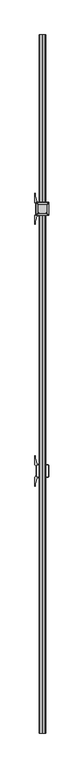
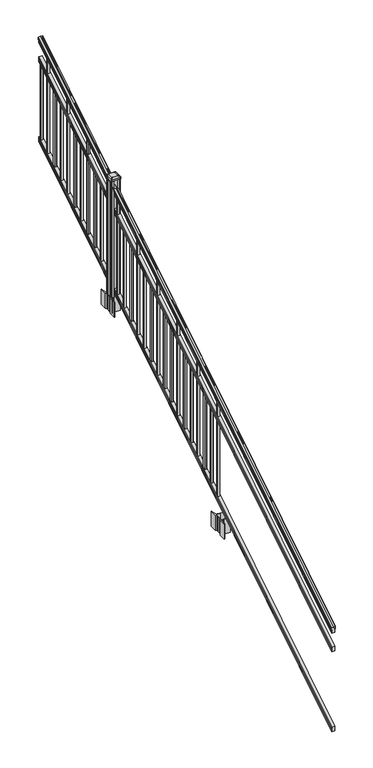
"""IFC4 building model written with IfcOpenShell, lengths in millimetres: railing geometry."""

from ifc_helpers import new_model, si_unit, point, frame, frame_2d, origin, place, context, project, spatial, polyline, circle_curve, ellipse_curve, trimmed, segment, composite_curve, outline, extrude, faceted_brep, source, transform, mapped, element, save
from ifc_brep_helpers import plane_surface, cylinder_surface, revolved_surface, extruded_surface, advanced_brep


def railing_5481a05c(model_context):
    return source(origin(), model_context, "Body", "SolidModel", [
        advanced_brep(
        [(9720.6704765, -129368.4628453, 1285.6070492), (9720.6704765, -129368.4628453, 1287.8335658), (9721.8006628, -129368.4628453, 1289.6758543), (9721.8006628, -129368.4628453, 1298.1876358), (9721.1514064, -129368.4628453, 1301.0572588), (9723.6514064, -129368.4628453, 1306.1635509), (9725.0607489, -129368.4628453, 1308.1442021), (9725.4626479, -129368.4628453, 1309.4469579), (9725.4626478, -129368.4628453, 1311.0274846), (9723.9092005, -129368.4628453, 1312.8593836), (9703.2376478, -129368.4628453, 1312.8593836), (9682.566095, -129368.4628453, 1312.8593836), (9681.0126478, -129368.4628453, 1311.0274846), (9681.0126478, -129368.4628453, 1309.4469579), (9681.4145467, -129368.4628453, 1308.1442021), (9682.8238891, -129368.4628453, 1306.1635509), (9685.3238891, -129368.4628453, 1301.0572588), (9684.6746327, -129368.4628453, 1298.1876358), (9684.6746327, -129368.4628453, 1289.6758543), (9685.804819, -129368.4628453, 1287.8335658), (9685.804819, -129368.4628453, 1285.6070492), (9688.3786478, -129368.4628453, 1285.6070492), (9688.3786478, -129368.4628453, 1273.225537), (9687.3626478, -129368.4628453, 1272.0274214), (9687.3626478, -129368.4628453, 1257.3), (9719.1126478, -129368.4628453, 1257.3), (9719.1126478, -129368.4628453, 1271.841318), (9718.0966478, -129368.4628453, 1273.0394336), (9718.0966478, -129368.4628453, 1285.6070492), (9720.6704765, -124491.6628453, 4333.6070492), (9718.0966478, -124491.6628453, 4333.6070492), (9718.0966478, -124491.6628453, 4321.0394336), (9719.1126478, -124491.6628453, 4319.841318), (9719.1126478, -124491.6628453, 4305.3), (9687.3626478, -124491.6628453, 4305.3), (9687.3626478, -124491.6628453, 4320.0274214), (9688.3786478, -124491.6628453, 4321.225537), (9688.3786478, -124491.6628453, 4333.6070492), (9685.804819, -124491.6628453, 4333.6070492), (9685.804819, -124491.6628453, 4335.8335658), (9684.6746327, -124491.6628453, 4337.6758543), (9684.6746327, -124491.6628453, 4346.1876358), (9685.3238891, -124491.6628453, 4349.0572588), (9682.8238891, -124491.6628453, 4354.1635509), (9681.4145467, -124491.6628453, 4356.1442021), (9681.0126477, -124491.6628453, 4357.4469579), (9681.0126478, -124491.6628453, 4359.0274846), (9682.566095, -124491.6628453, 4360.8593836), (9703.2376478, -124491.6628453, 4360.8593836), (9723.9092005, -124491.6628453, 4360.8593836), (9725.4626478, -124491.6628453, 4359.0274846), (9725.4626478, -124491.6628453, 4357.4469579), (9725.0607489, -124491.6628453, 4356.1442021), (9723.6514064, -124491.6628453, 4354.1635509), (9721.1514064, -124491.6628453, 4349.0572588), (9721.8006628, -124491.6628453, 4346.1876358), (9721.8006628, -124491.6628453, 4337.6758543), (9720.6704765, -124491.6628453, 4335.8335658)],
        [
            (0, 1),
            (1, 2, ellipse_curve(frame((9714.3557232, -129368.4628453, 1294.6239405), z_axis=(0.0, -1.0, 0.0), x_axis=(0.0, 0.0, -1.0)), 10.0777926, 8.545951)),
            (2, 3, ellipse_curve(frame((9714.7927862, -129368.4628453, 1293.9317451), z_axis=(0.0, -1.0, 0.0), x_axis=(0.0, 0.0, -1.0)), 9.2955186, 7.882584)),
            (3, 4, ellipse_curve(frame((9725.3061103, -129368.4628453, 1300.8275077), z_axis=(0.0, 1.0, 0.0), x_axis=(0.0, 0.0, 1.0)), 4.9048088, 4.1592695)),
            (4, 5, ellipse_curve(frame((9726.5934169, -129368.4628453, 1300.7563208), z_axis=(0.0, 1.0, 0.0), x_axis=(0.0, 0.0, 1.0)), 6.4245301, 5.4479907)),
            (5, 6, ellipse_curve(frame((9725.3602584, -129368.4628453, 1306.1602333), z_axis=(0.0, 1.0, 0.0), x_axis=(0.0, 0.0, 1.0)), 2.0151625, 1.7088543)),
            (6, 7, ellipse_curve(frame((9723.7433583, -129368.4628453, 1309.4469579), z_axis=(0.0, -1.0, 0.0), x_axis=(0.0, 0.0, -1.0)), 2.0274681, 1.7192895)),
            (7, 8),
            (8, 9, ellipse_curve(frame((9723.9092005, -129368.4628453, 1311.0274846), z_axis=(0.0, -1.0, 0.0), x_axis=(0.0, 0.0, -1.0)), 1.831899, 1.5534472)),
            (9, 10),
            (10, 11),
            (11, 12, ellipse_curve(frame((9682.566095, -129368.4628453, 1311.0274846), z_axis=(0.0, -1.0, 0.0), x_axis=(0.0, 0.0, -1.0)), 1.831899, 1.5534472)),
            (12, 13),
            (13, 14, ellipse_curve(frame((9682.7319372, -129368.4628453, 1309.4469579), z_axis=(0.0, -1.0, 0.0), x_axis=(0.0, 0.0, -1.0)), 2.0274681, 1.7192895)),
            (14, 15, ellipse_curve(frame((9681.1150371, -129368.4628453, 1306.1602333), z_axis=(0.0, 1.0, 0.0), x_axis=(0.0, 0.0, 1.0)), 2.0151625, 1.7088543)),
            (15, 16, ellipse_curve(frame((9679.8818787, -129368.4628453, 1300.7563208), z_axis=(0.0, 1.0, 0.0), x_axis=(0.0, 0.0, 1.0)), 6.4245301, 5.4479907)),
            (16, 17, ellipse_curve(frame((9681.1691852, -129368.4628453, 1300.8275077), z_axis=(0.0, 1.0, 0.0), x_axis=(0.0, 0.0, 1.0)), 4.9048088, 4.1592695)),
            (17, 18, ellipse_curve(frame((9691.6825093, -129368.4628453, 1293.9317451), z_axis=(0.0, -1.0, 0.0), x_axis=(0.0, 0.0, -1.0)), 9.2955186, 7.882584)),
            (18, 19, ellipse_curve(frame((9692.1195723, -129368.4628453, 1294.6239405), z_axis=(0.0, -1.0, 0.0), x_axis=(0.0, 0.0, -1.0)), 10.0777926, 8.545951)),
            (19, 20),
            (20, 21, ellipse_curve(frame((9687.0917334, -129368.4628453, 1285.6070492), z_axis=(0.0, -1.0, 0.0), x_axis=(0.0, 0.0, -1.0)), 1.5175907, 1.2869144)),
            (21, 22),
            (22, 23),
            (23, 24),
            (24, 25),
            (25, 26),
            (26, 27),
            (27, 28),
            (28, 0, ellipse_curve(frame((9719.3835621, -129368.4628453, 1285.6070492), z_axis=(0.0, -1.0, 0.0), x_axis=(0.0, 0.0, -1.0)), 1.5175907, 1.2869144)),
            (29, 30, ellipse_curve(frame((9719.3835621, -124491.6628453, 4333.6070492), z_axis=(0.0, 1.0, 0.0), x_axis=(0.0, 0.0, -1.0)), 1.5175907, 1.2869144)),
            (30, 31),
            (31, 32),
            (32, 33),
            (33, 34),
            (34, 35),
            (35, 36),
            (36, 37),
            (37, 38, ellipse_curve(frame((9687.0917334, -124491.6628453, 4333.6070492), z_axis=(0.0, 1.0, 0.0), x_axis=(0.0, 0.0, -1.0)), 1.5175907, 1.2869144)),
            (38, 39),
            (39, 40, ellipse_curve(frame((9692.1195723, -124491.6628453, 4342.6239405), z_axis=(0.0, 1.0, 0.0), x_axis=(0.0, 0.0, -1.0)), 10.0777926, 8.545951)),
            (40, 41, ellipse_curve(frame((9691.6825093, -124491.6628453, 4341.9317451), z_axis=(0.0, 1.0, 0.0), x_axis=(0.0, 0.0, -1.0)), 9.2955186, 7.882584)),
            (41, 42, ellipse_curve(frame((9681.1691852, -124491.6628453, 4348.8275077), z_axis=(0.0, -1.0, 0.0), x_axis=(0.0, 0.0, 1.0)), 4.9048088, 4.1592695)),
            (42, 43, ellipse_curve(frame((9679.8818787, -124491.6628453, 4348.7563208), z_axis=(0.0, -1.0, 0.0), x_axis=(0.0, 0.0, 1.0)), 6.4245301, 5.4479907)),
            (43, 44, ellipse_curve(frame((9681.1150371, -124491.6628453, 4354.1602333), z_axis=(0.0, -1.0, 0.0), x_axis=(0.0, 0.0, 1.0)), 2.0151625, 1.7088543)),
            (44, 45, ellipse_curve(frame((9682.7319372, -124491.6628453, 4357.4469579), z_axis=(0.0, 1.0, 0.0), x_axis=(0.0, 0.0, -1.0)), 2.0274681, 1.7192895)),
            (45, 46),
            (46, 47, ellipse_curve(frame((9682.566095, -124491.6628453, 4359.0274846), z_axis=(0.0, 1.0, 0.0), x_axis=(0.0, 0.0, -1.0)), 1.831899, 1.5534472)),
            (47, 48),
            (48, 49),
            (49, 50, ellipse_curve(frame((9723.9092005, -124491.6628453, 4359.0274846), z_axis=(0.0, 1.0, 0.0), x_axis=(0.0, 0.0, -1.0)), 1.831899, 1.5534472)),
            (50, 51),
            (51, 52, ellipse_curve(frame((9723.7433583, -124491.6628453, 4357.4469579), z_axis=(0.0, 1.0, 0.0), x_axis=(0.0, 0.0, -1.0)), 2.0274681, 1.7192895)),
            (52, 53, ellipse_curve(frame((9725.3602584, -124491.6628453, 4354.1602333), z_axis=(0.0, -1.0, 0.0), x_axis=(0.0, 0.0, 1.0)), 2.0151625, 1.7088543)),
            (53, 54, ellipse_curve(frame((9726.5934169, -124491.6628453, 4348.7563208), z_axis=(0.0, -1.0, 0.0), x_axis=(0.0, 0.0, 1.0)), 6.4245301, 5.4479907)),
            (54, 55, ellipse_curve(frame((9725.3061103, -124491.6628453, 4348.8275077), z_axis=(0.0, -1.0, 0.0), x_axis=(0.0, 0.0, 1.0)), 4.9048088, 4.1592695)),
            (55, 56, ellipse_curve(frame((9714.7927862, -124491.6628453, 4341.9317451), z_axis=(0.0, 1.0, 0.0), x_axis=(0.0, 0.0, -1.0)), 9.2955186, 7.882584)),
            (56, 57, ellipse_curve(frame((9714.3557232, -124491.6628453, 4342.6239405), z_axis=(0.0, 1.0, 0.0), x_axis=(0.0, 0.0, -1.0)), 10.0777926, 8.545951)),
            (57, 29),
            (28, 30),
            (29, 0),
            (27, 31),
            (26, 32),
            (25, 33),
            (24, 34),
            (23, 35),
            (22, 36),
            (21, 37),
            (20, 38),
            (19, 39),
            (18, 40),
            (17, 41),
            (16, 42),
            (15, 43),
            (14, 44),
            (13, 45),
            (12, 46),
            (11, 47),
            (10, 48),
            (9, 49),
            (8, 50),
            (7, 51),
            (6, 52),
            (5, 53),
            (4, 54),
            (3, 55),
            (2, 56),
            (1, 57),
        ],
        [
            plane_surface(frame((9703.2376478, -129368.4628453, 1257.3), z_axis=(0.0, -1.0, 0.0), x_axis=(0.0, 0.0, 1.0))),
            plane_surface(frame((9703.2376478, -124491.6628453, 4305.3), z_axis=(0.0, 1.0, 0.0), x_axis=(0.0, 0.0, 1.0))),
            cylinder_surface(frame((9719.3835621, -129381.1851146, 1277.6556309), z_axis=(0.0, -0.8479983040051253, -0.5299989400031204), x_axis=(-1.0, 0.0, 0.0)), 1.2869144),
            plane_surface(frame((9718.0966478, -129368.4628453, 1273.0394336), z_axis=(1.0, 0.0, 0.0), x_axis=(0.0, 0.8479983040051252, 0.5299989400031204))),
            plane_surface(frame((9719.1126478, -129368.4628453, 1271.841318), z_axis=(0.7071067811865389, -0.374765844497894, 0.5996253511967226), x_axis=(0.0, 0.8479983040051253, 0.5299989400031204))),
            plane_surface(frame((9719.1126478, -129368.4628453, 1257.3), z_axis=(1.0, 0.0, 0.0), x_axis=(0.0, 0.8479983040051252, 0.5299989400031204))),
            plane_surface(frame((9687.3626478, -129368.4628453, 1257.3), z_axis=(0.0, 0.5299989400031204, -0.8479983040051252), x_axis=(0.0, 0.8479983040051252, 0.5299989400031204))),
            plane_surface(frame((9687.3626478, -129368.4628453, 1272.0274214), z_axis=(-1.0, 0.0, 0.0), x_axis=(0.0, 0.8479983040051252, 0.5299989400031204))),
            plane_surface(frame((9688.3786478, -129368.4628453, 1273.225537), z_axis=(-0.7071067811865437, -0.37476584449788986, 0.5996253511967192), x_axis=(0.0, 0.8479983040051253, 0.5299989400031204))),
            plane_surface(frame((9688.3786478, -129368.4628453, 1285.6070492), z_axis=(-1.0, 0.0, 0.0), x_axis=(0.0, 0.8479983040051252, 0.5299989400031204))),
            cylinder_surface(frame((9687.0917334, -129381.1851146, 1277.6556309), z_axis=(0.0, -0.8479983040051253, -0.5299989400031204), x_axis=(1.0, 0.0, 0.0)), 1.2869144),
            plane_surface(frame((9685.804819, -129368.4628453, 1287.8335658), z_axis=(-1.0, 0.0, 0.0), x_axis=(0.0, 0.8479983040051252, 0.5299989400031204))),
            cylinder_surface(frame((9692.1195723, -129385.23765, 1284.1396876), z_axis=(0.0, -0.8479983040051253, -0.5299989400031204), x_axis=(1.0, 0.0, 0.0)), 8.545951),
            cylinder_surface(frame((9691.6825093, -129384.9265509, 1283.641929), z_axis=(0.0, -0.8479983040051253, -0.5299989400031204), x_axis=(1.0, 0.0, 0.0)), 7.882584),
            revolved_surface(polyline([(9685.3284547, -124489.45843685034, 4350.205262980551), (9685.3284547, -129370.66725374945, 1299.4497524190954)]), (9681.1691852, -129388.0257701, 1288.6006797), (0.0, 0.8479983040051253, 0.5299989400031204)),
            revolved_surface(polyline([(9685.3298694, -124488.77541603574, 4350.5609640771845), (9685.3298694, -129371.35027455281, 1298.9516775044929)]), (9679.8818787, -129387.993776, 1288.5494891), (0.0, 0.8479983040051253, 0.5299989400031204)),
            revolved_surface(polyline([(9682.823891400001, -124490.75715429979, 4354.726290199658), (9682.823891400001, -129369.36853632248, 1305.5941764359545)]), (9681.1150371, -129390.4225007, 1292.4354487), (0.0, 0.8479983040051253, 0.5299989400031204)),
            cylinder_surface(frame((9682.7319372, -129391.8996803, 1294.798936), z_axis=(0.0, -0.8479983040051253, -0.5299989400031204), x_axis=(1.0, 0.0, 0.0)), 1.7192895),
            plane_surface(frame((9681.0126478, -129368.4628453, 1311.0274846), z_axis=(-1.0, 0.0, 0.0), x_axis=(0.0, 0.8479983040051252, 0.5299989400031204))),
            cylinder_surface(frame((9682.566095, -129392.6100294, 1295.9354945), z_axis=(0.0, -0.8479983040051253, -0.5299989400031204), x_axis=(1.0, 0.0, 0.0)), 1.5534472),
            plane_surface(frame((9703.2376478, -129368.4628453, 1312.8593836), z_axis=(0.0, -0.5299989400031204, 0.8479983040051252), x_axis=(0.0, 0.8479983040051252, 0.5299989400031204))),
            plane_surface(frame((9723.9092005, -129368.4628453, 1312.8593836), z_axis=(0.0, -0.5299989400031204, 0.8479983040051252), x_axis=(0.0, 0.8479983040051252, 0.5299989400031204))),
            cylinder_surface(frame((9723.9092005, -129392.6100294, 1295.9354945), z_axis=(0.0, -0.8479983040051253, -0.5299989400031204), x_axis=(-1.0, 0.0, 0.0)), 1.5534472),
            plane_surface(frame((9725.4626478, -129368.4628453, 1309.4469579), z_axis=(1.0, 0.0, 0.0), x_axis=(0.0, 0.8479983040051252, 0.5299989400031204))),
            cylinder_surface(frame((9723.7433583, -129391.8996803, 1294.798936), z_axis=(0.0, -0.8479983040051253, -0.5299989400031204), x_axis=(-1.0, 0.0, 0.0)), 1.7192895),
            revolved_surface(polyline([(9723.6514041, -124490.75715429979, 4354.726290199658), (9723.6514041, -129369.36853632248, 1305.5941764359545)]), (9725.3602584, -129390.4225007, 1292.4354487), (0.0, 0.8479983040051253, 0.5299989400031204)),
            revolved_surface(polyline([(9721.145426199999, -124488.77541603574, 4350.5609640771845), (9721.145426199999, -129371.35027455281, 1298.9516775044929)]), (9726.5934169, -129387.993776, 1288.5494891), (0.0, 0.8479983040051253, 0.5299989400031204)),
            revolved_surface(polyline([(9721.1468408, -124489.45843685034, 4350.205262980551), (9721.1468408, -129370.66725374945, 1299.4497524190954)]), (9725.3061103, -129388.0257701, 1288.6006797), (0.0, 0.8479983040051253, 0.5299989400031204)),
            cylinder_surface(frame((9714.7927862, -129384.9265509, 1283.641929), z_axis=(0.0, -0.8479983040051253, -0.5299989400031204), x_axis=(-1.0, 0.0, 0.0)), 7.882584),
            cylinder_surface(frame((9714.3557232, -129385.23765, 1284.1396876), z_axis=(0.0, -0.8479983040051253, -0.5299989400031204), x_axis=(-1.0, 0.0, 0.0)), 8.545951),
            plane_surface(frame((9720.6704765, -129368.4628453, 1285.6070492), z_axis=(1.0, 0.0, 0.0), x_axis=(0.0, 0.8479983040051252, 0.5299989400031204))),
        ],
        [
            (0, [[1, 2, 3, 4, 5, 6, 7, 8, 9, 10, 11, 12, 13, 14, 15, 16, 17, 18, 19, 20, 21, 22, 23, 24, 25, 26, 27, 28, 29]]),
            (1, [[30, 31, 32, 33, 34, 35, 36, 37, 38, 39, 40, 41, 42, 43, 44, 45, 46, 47, 48, 49, 50, 51, 52, 53, 54, 55, 56, 57, 58]]),
            (2, [[-29, 59, -30, 60]]),
            (3, [[-28, 61, -31, -59]]),
            (4, [[-27, 62, -32, -61]]),
            (5, [[-26, 63, -33, -62]]),
            (6, [[-25, 64, -34, -63]]),
            (7, [[-24, 65, -35, -64]]),
            (8, [[-23, 66, -36, -65]]),
            (9, [[-22, 67, -37, -66]]),
            (10, [[-21, 68, -38, -67]]),
            (11, [[-20, 69, -39, -68]]),
            (12, [[-19, 70, -40, -69]]),
            (13, [[-18, 71, -41, -70]]),
            (14, [[-17, 72, -42, -71]]),
            (15, [[-16, 73, -43, -72]]),
            (16, [[-15, 74, -44, -73]]),
            (17, [[-14, 75, -45, -74]]),
            (18, [[-13, 76, -46, -75]]),
            (19, [[-12, 77, -47, -76]]),
            (20, [[-11, 78, -48, -77]]),
            (21, [[-10, 79, -49, -78]]),
            (22, [[-9, 80, -50, -79]]),
            (23, [[-8, 81, -51, -80]]),
            (24, [[-7, 82, -52, -81]]),
            (25, [[-6, 83, -53, -82]]),
            (26, [[-5, 84, -54, -83]]),
            (27, [[-4, 85, -55, -84]]),
            (28, [[-3, 86, -56, -85]]),
            (29, [[-2, 87, -57, -86]]),
            (30, [[-1, -60, -58, -87]]),
        ],
    ),
        faceted_brep([(9719.1501347, -129368.4628453, 1081.6045079), (9718.1341347, -129368.4628453, 1083.138026), (9718.1341347, -129368.4628453, 1095.3545048), (9719.1501347, -129368.4628453, 1096.9444579), (9719.1501347, -129368.4628453, 1111.7244744), (9687.4001347, -129368.4628453, 1111.7244744), (9687.4001347, -129368.4628453, 1096.9248272), (9688.4161347, -129368.4628453, 1095.3348741), (9688.4161347, -129368.4628453, 1083.1748303), (9687.4001347, -129368.4628453, 1081.5848772), (9687.4001347, -129368.4628453, 1066.8), (9719.1501347, -129368.4628453, 1066.8), (9719.1501347, -124491.6628453, 4129.6045079), (9719.1501347, -124491.6628453, 4114.8), (9687.4001347, -124491.6628453, 4114.8), (9687.4001347, -124491.6628453, 4129.5848772), (9688.4161347, -124491.6628453, 4131.1748303), (9688.4161347, -124491.6628453, 4143.3348741), (9687.4001347, -124491.6628453, 4144.9248272), (9687.4001347, -124491.6628453, 4159.7244744), (9719.1501347, -124491.6628453, 4159.7244744), (9719.1501347, -124491.6628453, 4144.9444579), (9718.1341347, -124491.6628453, 4143.3545048), (9718.1341347, -124491.6628453, 4131.138026)], [[[0, 1, 2, 3, 4, 5, 6, 7, 8, 9, 10, 11]], [[12, 13, 14, 15, 16, 17, 18, 19, 20, 21, 22, 23]], [[0, 11, 13, 12]], [[11, 10, 14, 13]], [[10, 9, 15, 14]], [[9, 8, 16, 15]], [[8, 7, 17, 16]], [[7, 6, 18, 17]], [[6, 5, 19, 18]], [[5, 4, 20, 19]], [[4, 3, 21, 20]], [[3, 2, 22, 21]], [[2, 1, 23, 22]], [[1, 0, 12, 23]]]),
        faceted_brep([(9719.1501347, -129368.4628453, 268.8045079), (9718.1341347, -129368.4628453, 270.338026), (9718.1341347, -129368.4628453, 282.5545048), (9719.1501347, -129368.4628453, 284.1444579), (9719.1501347, -129368.4628453, 298.9244744), (9687.4001347, -129368.4628453, 298.9244744), (9687.4001347, -129368.4628453, 284.1248272), (9688.4161347, -129368.4628453, 282.5348741), (9688.4161347, -129368.4628453, 270.3748303), (9687.4001347, -129368.4628453, 268.7848772), (9687.4001347, -129368.4628453, 254.0), (9719.1501347, -129368.4628453, 254.0), (9719.1501347, -124491.6628453, 3316.8045079), (9719.1501347, -124491.6628453, 3302.0), (9687.4001347, -124491.6628453, 3302.0), (9687.4001347, -124491.6628453, 3316.7848772), (9688.4161347, -124491.6628453, 3318.3748303), (9688.4161347, -124491.6628453, 3330.5348741), (9687.4001347, -124491.6628453, 3332.1248272), (9687.4001347, -124491.6628453, 3346.9244744), (9719.1501347, -124491.6628453, 3346.9244744), (9719.1501347, -124491.6628453, 3332.1444579), (9718.1341347, -124491.6628453, 3330.5545048), (9718.1341347, -124491.6628453, 3318.338026)], [[[0, 1, 2, 3, 4, 5, 6, 7, 8, 9, 10, 11]], [[12, 13, 14, 15, 16, 17, 18, 19, 20, 21, 22, 23]], [[2, 1, 23, 22]], [[4, 3, 21, 20]], [[6, 5, 19, 18]], [[0, 11, 13, 12]], [[1, 0, 12, 23]], [[3, 2, 22, 21]], [[5, 4, 20, 19]], [[7, 6, 18, 17]], [[8, 7, 17, 16]], [[9, 8, 16, 15]], [[10, 9, 15, 14]], [[11, 10, 14, 13]]]),
        extrude(outline(polyline([(9712.7626478, -124522.7778453), (9693.7126478, -124522.7778453), (9693.7126478, -124503.7278453), (9712.7626478, -124503.7278453), (9712.7626478, -124522.7778453)]), holes=[polyline([(9712.3657728, -124522.3809703), (9712.3657728, -124504.1247203), (9694.1095228, -124504.1247203), (9694.1095228, -124522.3809703), (9712.3657728, -124522.3809703)])]), frame((0.0, 0.0, 3326.6021281), z_axis=(0.0, 0.0, 1.0), x_axis=(1.0, 0.0, 0.0)), (0.0, 0.0, 1.0), 774.7041219),
        extrude(outline(polyline([(9712.7626478, -124634.0298453), (9693.7126478, -124634.0298453), (9693.7126478, -124614.9798453), (9712.7626478, -124614.9798453), (9712.7626478, -124634.0298453)]), holes=[polyline([(9712.3657728, -124633.6329703), (9712.3657728, -124615.3767203), (9694.1095228, -124615.3767203), (9694.1095228, -124633.6329703), (9712.3657728, -124633.6329703)])]), frame((0.0, 0.0, 3257.0696281), z_axis=(0.0, 0.0, 1.0), x_axis=(1.0, 0.0, 0.0)), (0.0, 0.0, 1.0), 965.2041219),
        extrude(outline(polyline([(9712.7626478, -124745.2818453), (9693.7126478, -124745.2818453), (9693.7126478, -124726.2318453), (9712.7626478, -124726.2318453), (9712.7626478, -124745.2818453)]), holes=[polyline([(9712.3657728, -124744.8849703), (9712.3657728, -124726.6287203), (9694.1095228, -124726.6287203), (9694.1095228, -124744.8849703), (9712.3657728, -124744.8849703)])]), frame((0.0, 0.0, 3187.5371281), z_axis=(0.0, 0.0, 1.0), x_axis=(1.0, 0.0, 0.0)), (0.0, 0.0, 1.0), 774.7041219),
        extrude(outline(polyline([(9712.7626478, -124856.5338453), (9693.7126478, -124856.5338453), (9693.7126478, -124837.4838453), (9712.7626478, -124837.4838453), (9712.7626478, -124856.5338453)]), holes=[polyline([(9712.3657728, -124856.1369703), (9712.3657728, -124837.8807203), (9694.1095228, -124837.8807203), (9694.1095228, -124856.1369703), (9712.3657728, -124856.1369703)])]), frame((0.0, 0.0, 3118.0046281), z_axis=(0.0, 0.0, 1.0), x_axis=(1.0, 0.0, 0.0)), (0.0, 0.0, 1.0), 774.7041219),
        extrude(outline(polyline([(9712.7626478, -124967.7858453), (9693.7126478, -124967.7858453), (9693.7126478, -124948.7358453), (9712.7626478, -124948.7358453), (9712.7626478, -124967.7858453)]), holes=[polyline([(9712.3657728, -124967.3889703), (9712.3657728, -124949.1327203), (9694.1095228, -124949.1327203), (9694.1095228, -124967.3889703), (9712.3657728, -124967.3889703)])]), frame((0.0, 0.0, 3048.4721281), z_axis=(0.0, 0.0, 1.0), x_axis=(1.0, 0.0, 0.0)), (0.0, 0.0, 1.0), 965.2041219),
        extrude(outline(polyline([(9712.7626478, -125079.0378453), (9693.7126478, -125079.0378453), (9693.7126478, -125059.9878453), (9712.7626478, -125059.9878453), (9712.7626478, -125079.0378453)]), holes=[polyline([(9712.3657728, -125078.6409703), (9712.3657728, -125060.3847203), (9694.1095228, -125060.3847203), (9694.1095228, -125078.6409703), (9712.3657728, -125078.6409703)])]), frame((0.0, 0.0, 2978.9396281), z_axis=(0.0, 0.0, 1.0), x_axis=(1.0, 0.0, 0.0)), (0.0, 0.0, 1.0), 774.7041219),
        extrude(outline(polyline([(9712.7626478, -125190.2898453), (9693.7126478, -125190.2898453), (9693.7126478, -125171.2398453), (9712.7626478, -125171.2398453), (9712.7626478, -125190.2898453)]), holes=[polyline([(9712.3657728, -125189.8929703), (9712.3657728, -125171.6367203), (9694.1095228, -125171.6367203), (9694.1095228, -125189.8929703), (9712.3657728, -125189.8929703)])]), frame((0.0, 0.0, 2909.4071281), z_axis=(0.0, 0.0, 1.0), x_axis=(1.0, 0.0, 0.0)), (0.0, 0.0, 1.0), 774.7041219),
        extrude(outline(polyline([(9712.7626478, -125301.5418453), (9693.7126478, -125301.5418453), (9693.7126478, -125282.4918453), (9712.7626478, -125282.4918453), (9712.7626478, -125301.5418453)]), holes=[polyline([(9712.3657728, -125301.1449703), (9712.3657728, -125282.8887203), (9694.1095228, -125282.8887203), (9694.1095228, -125301.1449703), (9712.3657728, -125301.1449703)])]), frame((0.0, 0.0, 2839.8746281), z_axis=(0.0, 0.0, 1.0), x_axis=(1.0, 0.0, 0.0)), (0.0, 0.0, 1.0), 965.2041219),
        extrude(outline(polyline([(9712.7626478, -125412.7938453), (9693.7126478, -125412.7938453), (9693.7126478, -125393.7438453), (9712.7626478, -125393.7438453), (9712.7626478, -125412.7938453)]), holes=[polyline([(9712.3657728, -125412.3969703), (9712.3657728, -125394.1407203), (9694.1095228, -125394.1407203), (9694.1095228, -125412.3969703), (9712.3657728, -125412.3969703)])]), frame((0.0, 0.0, 2770.3421281), z_axis=(0.0, 0.0, 1.0), x_axis=(1.0, 0.0, 0.0)), (0.0, 0.0, 1.0), 774.7041219),
        extrude(outline(polyline([(9712.7626478, -125524.0458453), (9693.7126478, -125524.0458453), (9693.7126478, -125504.9958453), (9712.7626478, -125504.9958453), (9712.7626478, -125524.0458453)]), holes=[polyline([(9712.3657728, -125523.6489703), (9712.3657728, -125505.3927203), (9694.1095228, -125505.3927203), (9694.1095228, -125523.6489703), (9712.3657728, -125523.6489703)])]), frame((0.0, 0.0, 2700.8096281), z_axis=(0.0, 0.0, 1.0), x_axis=(1.0, 0.0, 0.0)), (0.0, 0.0, 1.0), 774.7041219),
        extrude(outline(polyline([(9712.7626478, -125635.2978453), (9693.7126478, -125635.2978453), (9693.7126478, -125616.2478453), (9712.7626478, -125616.2478453), (9712.7626478, -125635.2978453)]), holes=[polyline([(9712.3657728, -125634.9009703), (9712.3657728, -125616.6447203), (9694.1095228, -125616.6447203), (9694.1095228, -125634.9009703), (9712.3657728, -125634.9009703)])]), frame((0.0, 0.0, 2631.2771281), z_axis=(0.0, 0.0, 1.0), x_axis=(1.0, 0.0, 0.0)), (0.0, 0.0, 1.0), 965.2041219),
        extrude(outline(composite_curve([segment(polyline([(9745.9731478, -125724.1849401), (9747.5606478, -125724.9469401), (9747.5606478, -125747.7488682), (9744.1876707, -125751.1218453), (9682.7279999, -125751.1218453), (9682.7279999, -125752.0425953), (9677.4104561, -125752.0425953), (9677.4104561, -125753.49685), (9672.3259264, -125753.49685), (9672.3259264, -125754.7808738), (9670.6586541, -125754.7808738)]), True, "CONTINUOUS"), segment(trimmed(circle_curve(frame_2d((9670.6586541, -125761.8403337)), 7.0594599), [point((9670.6586541, -125754.7808738))], [point((9663.8913912, -125759.830327))], True, "CARTESIAN"), True, "CONTINUOUS"), segment(polyline([(9663.8913912, -125759.830327), (9656.0171969, -125786.3410561)]), True, "CONTINUOUS"), segment(trimmed(circle_curve(frame_2d((9710.8017103, -125802.6131057)), 57.15), [point((9656.0171969, -125786.3410561))], [point((9653.6517103, -125802.6131057))], True, "CARTESIAN"), True, "CONTINUOUS"), segment(polyline([(9653.6517103, -125802.6131057), (9653.6517103, -125814.6218453), (9650.6517103, -125814.6218453), (9650.6517103, -125749.5343453), (9658.9146478, -125738.196054), (9658.9146478, -125724.9469401), (9660.5021478, -125724.1849401), (9660.5021478, -125689.4127504), (9658.9146478, -125688.6507504), (9658.9146478, -125675.4016366), (9650.6517103, -125664.0633453), (9650.6517103, -125598.9758453), (9653.6517103, -125598.9758453), (9653.6517103, -125610.9845848)]), True, "CONTINUOUS"), segment(trimmed(circle_curve(frame_2d((9710.8017103, -125610.9845848)), 57.15), [point((9653.6517103, -125610.9845848))], [point((9656.0171969, -125627.2566345))], True, "CARTESIAN"), True, "CONTINUOUS"), segment(polyline([(9656.0171969, -125627.2566345), (9663.8913912, -125653.7673636)]), True, "CONTINUOUS"), segment(trimmed(circle_curve(frame_2d((9670.6586541, -125651.7573569)), 7.0594599), [point((9663.8913912, -125653.7673636))], [point((9670.6586541, -125658.8168168))], True, "CARTESIAN"), True, "CONTINUOUS"), segment(polyline([(9670.6586541, -125658.8168168), (9672.3259264, -125658.8168168), (9672.3259264, -125660.1008406), (9677.4104561, -125660.1008406), (9677.4104561, -125661.5550953), (9682.7279999, -125661.5550953), (9682.7279999, -125662.4758453), (9744.1876707, -125662.4758453), (9747.5606478, -125665.8488224), (9747.5606478, -125688.6507504), (9745.9731478, -125689.4127504), (9745.9731478, -125724.1849401)]), True, "CONTINUOUS")], self_intersect=False), holes=[polyline([(9661.9626478, -125667.1113453), (9661.9626478, -125746.4863453), (9663.5501478, -125748.0738453), (9700.4744304, -125748.0738453), (9742.9251478, -125748.0738453), (9744.5126478, -125746.4863453), (9744.5126478, -125667.1113453), (9742.9251478, -125665.5238453), (9700.4744304, -125665.5238453), (9663.5501478, -125665.5238453), (9661.9626478, -125667.1113453)])]), frame((0.0, 0.0, 2326.64), z_axis=(0.0, 0.0, 1.0), x_axis=(1.0, 0.0, 0.0)), (0.0, 0.0, 1.0), 152.4),
        advanced_brep(
        [(9677.4407728, -125735.7707203, 3691.379263), (9729.0345228, -125735.7707203, 3691.379263), (9732.2095228, -125732.5957203, 3691.379263), (9732.2095228, -125681.0019703, 3691.379263), (9729.0345228, -125677.8269703, 3691.379263), (9677.4407728, -125677.8269703, 3691.379263), (9674.2657728, -125681.0019703, 3691.379263), (9674.2657728, -125732.5957203, 3691.379263), (9661.1688978, -125752.0425953, 3680.076263), (9657.9938978, -125748.8675953, 3680.076263), (9657.9938978, -125664.7300953, 3680.076263), (9661.1688978, -125661.5550953, 3680.076263), (9745.3063978, -125661.5550953, 3680.076263), (9748.4813978, -125664.7300953, 3680.076263), (9748.4813978, -125748.8675953, 3680.076263), (9745.3063978, -125752.0425953, 3680.076263)],
        [
            (0, 1),
            (1, 2, circle_curve(frame((9729.0345228, -125732.5957203, 3691.379263), z_axis=(0.0, 0.0, 1.0), x_axis=(0.0, 1.0, 0.0)), 3.175)),
            (2, 3),
            (3, 4, circle_curve(frame((9729.0345228, -125681.0019703, 3691.379263), z_axis=(0.0, 0.0, 1.0), x_axis=(0.0, 1.0, 0.0)), 3.175)),
            (4, 5),
            (5, 6, circle_curve(frame((9677.4407728, -125681.0019703, 3691.379263), z_axis=(0.0, 0.0, 1.0), x_axis=(0.0, 1.0, 0.0)), 3.175)),
            (6, 7),
            (7, 0, circle_curve(frame((9677.4407728, -125732.5957203, 3691.379263), z_axis=(0.0, 0.0, 1.0), x_axis=(0.0, 1.0, 0.0)), 3.175)),
            (8, 9, circle_curve(frame((9661.1688978, -125748.8675953, 3680.076263), z_axis=(0.0, 0.0, -1.0), x_axis=(0.0, 1.0, 0.0)), 3.175)),
            (9, 10),
            (10, 11, circle_curve(frame((9661.1688978, -125664.7300953, 3680.076263), z_axis=(0.0, 0.0, -1.0), x_axis=(0.0, 1.0, 0.0)), 3.175)),
            (11, 12),
            (12, 13, circle_curve(frame((9745.3063978, -125664.7300953, 3680.076263), z_axis=(0.0, 0.0, -1.0), x_axis=(0.0, 1.0, 0.0)), 3.175)),
            (13, 14),
            (14, 15, circle_curve(frame((9745.3063978, -125748.8675953, 3680.076263), z_axis=(0.0, 0.0, -1.0), x_axis=(0.0, 1.0, 0.0)), 3.175)),
            (15, 8),
            (8, 0),
            (7, 9),
            (6, 10),
            (5, 11),
            (4, 12),
            (3, 13),
            (2, 14),
            (1, 15),
        ],
        [
            plane_surface(frame((9703.2376478, -125706.7988453, 3691.379263), z_axis=(0.0, 0.0, 1.0), x_axis=(-1.0, 0.0, 0.0))),
            plane_surface(frame((9703.2376478, -125706.7988453, 3680.076263), z_axis=(0.0, 0.0, -1.0), x_axis=(-1.0, 0.0, 0.0))),
            extruded_surface(trimmed(circle_curve(frame((9677.4407728, -125732.5957203, 3691.379263), z_axis=(0.0, 0.0, -1.0), x_axis=(0.0, 1.0, 0.0)), 3.175), [point((9677.4407728, -125735.7707203, 3691.379263))], [point((9674.2657728, -125732.5957203, 3691.379263))], True, "CARTESIAN"), (-16.271875000000364, -16.27187500000582, -11.302999999999884), 25.637972638870036),
            plane_surface(frame((9657.9938978, -125706.7988453, 3680.076263), z_axis=(-0.5705009161540778, 0.0, 0.8212969649690408), x_axis=(0.0, 1.0, 0.0))),
            extruded_surface(trimmed(circle_curve(frame((9677.4407728, -125681.0019703, 3691.379263), z_axis=(0.0, 0.0, -1.0), x_axis=(0.0, 1.0, 0.0)), 3.175), [point((9674.2657728, -125681.0019703, 3691.379263))], [point((9677.4407728, -125677.8269703, 3691.379263))], True, "CARTESIAN"), (-16.271875000000364, 16.27187500000582, -11.302999999999884), 25.637972638870036),
            plane_surface(frame((9703.2376478, -125661.5550953, 3680.076263), z_axis=(0.0, 0.5705009161540291, 0.8212969649690747), x_axis=(1.0, 0.0, 0.0))),
            extruded_surface(trimmed(circle_curve(frame((9729.0345228, -125681.0019703, 3691.379263), z_axis=(0.0, 0.0, -1.0), x_axis=(0.0, 1.0, 0.0)), 3.175), [point((9729.0345228, -125677.8269703, 3691.379263))], [point((9732.2095228, -125681.0019703, 3691.379263))], True, "CARTESIAN"), (16.271874999998545, 16.27187500000582, -11.302999999999884), 25.63797263886888),
            plane_surface(frame((9748.4813978, -125706.7988453, 3680.076263), z_axis=(0.5705009161540142, 0.0, 0.8212969649690851), x_axis=(0.0, -1.0, 0.0))),
            extruded_surface(trimmed(circle_curve(frame((9729.0345228, -125732.5957203, 3691.379263), z_axis=(0.0, 0.0, -1.0), x_axis=(0.0, 1.0, 0.0)), 3.175), [point((9732.2095228, -125732.5957203, 3691.379263))], [point((9729.0345228, -125735.7707203, 3691.379263))], True, "CARTESIAN"), (16.271874999998545, -16.27187500000582, -11.302999999999884), 25.63797263886888),
            plane_surface(frame((9703.2376478, -125752.0425953, 3680.076263), z_axis=(0.0, -0.570500916154034, 0.8212969649690713), x_axis=(-1.0, 0.0, 0.0))),
        ],
        [
            (0, [[1, 2, 3, 4, 5, 6, 7, 8]]),
            (1, [[9, 10, 11, 12, 13, 14, 15, 16]]),
            (2, [[17, -8, 18, -9]]),
            (3, [[-18, -7, 19, -10]]),
            (4, [[-19, -6, 20, -11]]),
            (5, [[-20, -5, 21, -12]]),
            (6, [[-21, -4, 22, -13]]),
            (7, [[-22, -3, 23, -14]]),
            (8, [[-23, -2, 24, -15]]),
            (9, [[-24, -1, -17, -16]]),
        ],
    ),
        extrude(outline(composite_curve([segment(trimmed(circle_curve(frame_2d((9661.1688978, -125748.8675953)), 3.175), [point((9661.1688978, -125752.0425953))], [point((9657.9938978, -125748.8675953))], False, "CARTESIAN"), True, "CONTINUOUS"), segment(polyline([(9657.9938978, -125748.8675953), (9657.9938978, -125664.7300953)]), True, "CONTINUOUS"), segment(trimmed(circle_curve(frame_2d((9661.1688978, -125664.7300953)), 3.175), [point((9657.9938978, -125664.7300953))], [point((9661.1688978, -125661.5550953))], False, "CARTESIAN"), True, "CONTINUOUS"), segment(polyline([(9661.1688978, -125661.5550953), (9745.3063978, -125661.5550953)]), True, "CONTINUOUS"), segment(trimmed(circle_curve(frame_2d((9745.3063978, -125664.7300953)), 3.175), [point((9745.3063978, -125661.5550953))], [point((9748.4813978, -125664.7300953))], False, "CARTESIAN"), True, "CONTINUOUS"), segment(polyline([(9748.4813978, -125664.7300953), (9748.4813978, -125748.8675953)]), True, "CONTINUOUS"), segment(trimmed(circle_curve(frame_2d((9745.3063978, -125748.8675953)), 3.175), [point((9748.4813978, -125748.8675953))], [point((9745.3063978, -125752.0425953))], False, "CARTESIAN"), True, "CONTINUOUS"), segment(polyline([(9745.3063978, -125752.0425953), (9661.1688978, -125752.0425953)]), True, "CONTINUOUS")], self_intersect=False)), frame((0.0, 0.0, 3662.804263), z_axis=(0.0, 0.0, 1.0), x_axis=(1.0, 0.0, 0.0)), (0.0, 0.0, 1.0), 17.272),
        extrude(outline(polyline([(9663.5501478, -125748.0738453), (9661.9626478, -125746.4863453), (9661.9626478, -125726.8648453), (9663.5501478, -125726.1028453), (9663.5501478, -125687.4948453), (9661.9626478, -125686.7328453), (9661.9626478, -125667.1113453), (9663.5501478, -125665.5238453), (9683.1716478, -125665.5238453), (9683.9336478, -125667.1113453), (9722.5416478, -125667.1113453), (9723.3036478, -125665.5238453), (9742.9251478, -125665.5238453), (9744.5126478, -125667.1113453), (9744.5126478, -125686.7328453), (9742.9251478, -125687.4948453), (9742.9251478, -125726.1028453), (9744.5126478, -125726.8648453), (9744.5126478, -125746.4863453), (9742.9251478, -125748.0738453), (9723.3036478, -125748.0738453), (9722.5416478, -125746.4863453), (9683.9336478, -125746.4863453), (9683.1716478, -125748.0738453), (9663.5501478, -125748.0738453)])), frame((0.0, 0.0, 2479.04), z_axis=(0.0, 0.0, 1.0), x_axis=(1.0, 0.0, 0.0)), (0.0, 0.0, 1.0), 1183.764263),
        extrude(outline(polyline([(9712.7626478, -125797.3498453), (9693.7126478, -125797.3498453), (9693.7126478, -125778.2998453), (9712.7626478, -125778.2998453), (9712.7626478, -125797.3498453)]), holes=[polyline([(9712.3657728, -125796.9529703), (9712.3657728, -125778.6967203), (9694.1095228, -125778.6967203), (9694.1095228, -125796.9529703), (9712.3657728, -125796.9529703)])]), frame((0.0, 0.0, 2529.9946281), z_axis=(0.0, 0.0, 1.0), x_axis=(1.0, 0.0, 0.0)), (0.0, 0.0, 1.0), 965.2041219),
        extrude(outline(polyline([(9712.7626478, -125908.6018453), (9693.7126478, -125908.6018453), (9693.7126478, -125889.5518453), (9712.7626478, -125889.5518453), (9712.7626478, -125908.6018453)]), holes=[polyline([(9712.3657728, -125908.2049703), (9712.3657728, -125889.9487203), (9694.1095228, -125889.9487203), (9694.1095228, -125908.2049703), (9712.3657728, -125908.2049703)])]), frame((0.0, 0.0, 2460.4621281), z_axis=(0.0, 0.0, 1.0), x_axis=(1.0, 0.0, 0.0)), (0.0, 0.0, 1.0), 774.7041219),
        extrude(outline(polyline([(9712.7626478, -126019.8538453), (9693.7126478, -126019.8538453), (9693.7126478, -126000.8038453), (9712.7626478, -126000.8038453), (9712.7626478, -126019.8538453)]), holes=[polyline([(9712.3657728, -126019.4569703), (9712.3657728, -126001.2007203), (9694.1095228, -126001.2007203), (9694.1095228, -126019.4569703), (9712.3657728, -126019.4569703)])]), frame((0.0, 0.0, 2390.9296281), z_axis=(0.0, 0.0, 1.0), x_axis=(1.0, 0.0, 0.0)), (0.0, 0.0, 1.0), 774.7041219),
        extrude(outline(polyline([(9712.7626478, -126131.1058453), (9693.7126478, -126131.1058453), (9693.7126478, -126112.0558453), (9712.7626478, -126112.0558453), (9712.7626478, -126131.1058453)]), holes=[polyline([(9712.3657728, -126130.7089703), (9712.3657728, -126112.4527203), (9694.1095228, -126112.4527203), (9694.1095228, -126130.7089703), (9712.3657728, -126130.7089703)])]), frame((0.0, 0.0, 2321.3971281), z_axis=(0.0, 0.0, 1.0), x_axis=(1.0, 0.0, 0.0)), (0.0, 0.0, 1.0), 965.2041219),
        extrude(outline(polyline([(9712.7626478, -126242.3578453), (9693.7126478, -126242.3578453), (9693.7126478, -126223.3078453), (9712.7626478, -126223.3078453), (9712.7626478, -126242.3578453)]), holes=[polyline([(9712.3657728, -126241.9609703), (9712.3657728, -126223.7047203), (9694.1095228, -126223.7047203), (9694.1095228, -126241.9609703), (9712.3657728, -126241.9609703)])]), frame((0.0, 0.0, 2251.8646281), z_axis=(0.0, 0.0, 1.0), x_axis=(1.0, 0.0, 0.0)), (0.0, 0.0, 1.0), 774.7041219),
        extrude(outline(polyline([(9712.7626478, -126353.6098453), (9693.7126478, -126353.6098453), (9693.7126478, -126334.5598453), (9712.7626478, -126334.5598453), (9712.7626478, -126353.6098453)]), holes=[polyline([(9712.3657728, -126353.2129703), (9712.3657728, -126334.9567203), (9694.1095228, -126334.9567203), (9694.1095228, -126353.2129703), (9712.3657728, -126353.2129703)])]), frame((0.0, 0.0, 2182.3321281), z_axis=(0.0, 0.0, 1.0), x_axis=(1.0, 0.0, 0.0)), (0.0, 0.0, 1.0), 774.7041219),
        extrude(outline(polyline([(9712.7626478, -126464.8618453), (9693.7126478, -126464.8618453), (9693.7126478, -126445.8118453), (9712.7626478, -126445.8118453), (9712.7626478, -126464.8618453)]), holes=[polyline([(9712.3657728, -126464.4649703), (9712.3657728, -126446.2087203), (9694.1095228, -126446.2087203), (9694.1095228, -126464.4649703), (9712.3657728, -126464.4649703)])]), frame((0.0, 0.0, 2112.7996281), z_axis=(0.0, 0.0, 1.0), x_axis=(1.0, 0.0, 0.0)), (0.0, 0.0, 1.0), 965.2041219),
        extrude(outline(polyline([(9712.7626478, -126576.1138453), (9693.7126478, -126576.1138453), (9693.7126478, -126557.0638453), (9712.7626478, -126557.0638453), (9712.7626478, -126576.1138453)]), holes=[polyline([(9712.3657728, -126575.7169703), (9712.3657728, -126557.4607203), (9694.1095228, -126557.4607203), (9694.1095228, -126575.7169703), (9712.3657728, -126575.7169703)])]), frame((0.0, 0.0, 2043.2671281), z_axis=(0.0, 0.0, 1.0), x_axis=(1.0, 0.0, 0.0)), (0.0, 0.0, 1.0), 774.7041219),
        extrude(outline(polyline([(9712.7626478, -126687.3658453), (9693.7126478, -126687.3658453), (9693.7126478, -126668.3158453), (9712.7626478, -126668.3158453), (9712.7626478, -126687.3658453)]), holes=[polyline([(9712.3657728, -126686.9689703), (9712.3657728, -126668.7127203), (9694.1095228, -126668.7127203), (9694.1095228, -126686.9689703), (9712.3657728, -126686.9689703)])]), frame((0.0, 0.0, 1973.7346281), z_axis=(0.0, 0.0, 1.0), x_axis=(1.0, 0.0, 0.0)), (0.0, 0.0, 1.0), 774.7041219),
        extrude(outline(polyline([(9712.7626478, -126798.6178453), (9693.7126478, -126798.6178453), (9693.7126478, -126779.5678453), (9712.7626478, -126779.5678453), (9712.7626478, -126798.6178453)]), holes=[polyline([(9712.3657728, -126798.2209703), (9712.3657728, -126779.9647203), (9694.1095228, -126779.9647203), (9694.1095228, -126798.2209703), (9712.3657728, -126798.2209703)])]), frame((0.0, 0.0, 1904.2021281), z_axis=(0.0, 0.0, 1.0), x_axis=(1.0, 0.0, 0.0)), (0.0, 0.0, 1.0), 965.2041219),
        extrude(outline(polyline([(9712.7626478, -126909.8698453), (9693.7126478, -126909.8698453), (9693.7126478, -126890.8198453), (9712.7626478, -126890.8198453), (9712.7626478, -126909.8698453)]), holes=[polyline([(9712.3657728, -126909.4729703), (9712.3657728, -126891.2167203), (9694.1095228, -126891.2167203), (9694.1095228, -126909.4729703), (9712.3657728, -126909.4729703)])]), frame((0.0, 0.0, 1834.6696281), z_axis=(0.0, 0.0, 1.0), x_axis=(1.0, 0.0, 0.0)), (0.0, 0.0, 1.0), 774.7041219),
        extrude(outline(polyline([(9712.7626478, -127021.1218453), (9693.7126478, -127021.1218453), (9693.7126478, -127002.0718453), (9712.7626478, -127002.0718453), (9712.7626478, -127021.1218453)]), holes=[polyline([(9712.3657728, -127020.7249703), (9712.3657728, -127002.4687203), (9694.1095228, -127002.4687203), (9694.1095228, -127020.7249703), (9712.3657728, -127020.7249703)])]), frame((0.0, 0.0, 1765.1371281), z_axis=(0.0, 0.0, 1.0), x_axis=(1.0, 0.0, 0.0)), (0.0, 0.0, 1.0), 774.7041219),
        extrude(outline(polyline([(9712.7626478, -127132.3738453), (9693.7126478, -127132.3738453), (9693.7126478, -127113.3238453), (9712.7626478, -127113.3238453), (9712.7626478, -127132.3738453)]), holes=[polyline([(9712.3657728, -127131.9769703), (9712.3657728, -127113.7207203), (9694.1095228, -127113.7207203), (9694.1095228, -127131.9769703), (9712.3657728, -127131.9769703)])]), frame((0.0, 0.0, 1695.6046281), z_axis=(0.0, 0.0, 1.0), x_axis=(1.0, 0.0, 0.0)), (0.0, 0.0, 1.0), 965.2041219),
        extrude(outline(polyline([(9712.7626478, -127243.6258453), (9693.7126478, -127243.6258453), (9693.7126478, -127224.5758453), (9712.7626478, -127224.5758453), (9712.7626478, -127243.6258453)]), holes=[polyline([(9712.3657728, -127243.2289703), (9712.3657728, -127224.9727203), (9694.1095228, -127224.9727203), (9694.1095228, -127243.2289703), (9712.3657728, -127243.2289703)])]), frame((0.0, 0.0, 1626.0721281), z_axis=(0.0, 0.0, 1.0), x_axis=(1.0, 0.0, 0.0)), (0.0, 0.0, 1.0), 774.7041219),
        extrude(outline(polyline([(9712.7626478, -127354.8778453), (9693.7126478, -127354.8778453), (9693.7126478, -127335.8278453), (9712.7626478, -127335.8278453), (9712.7626478, -127354.8778453)]), holes=[polyline([(9712.3657728, -127354.4809703), (9712.3657728, -127336.2247203), (9694.1095228, -127336.2247203), (9694.1095228, -127354.4809703), (9712.3657728, -127354.4809703)])]), frame((0.0, 0.0, 1556.5396281), z_axis=(0.0, 0.0, 1.0), x_axis=(1.0, 0.0, 0.0)), (0.0, 0.0, 1.0), 774.7041219),
        extrude(outline(polyline([(9712.7626478, -127466.1298453), (9693.7126478, -127466.1298453), (9693.7126478, -127447.0798453), (9712.7626478, -127447.0798453), (9712.7626478, -127466.1298453)]), holes=[polyline([(9712.3657728, -127465.7329703), (9712.3657728, -127447.4767203), (9694.1095228, -127447.4767203), (9694.1095228, -127465.7329703), (9712.3657728, -127465.7329703)])]), frame((0.0, 0.0, 1487.0071281), z_axis=(0.0, 0.0, 1.0), x_axis=(1.0, 0.0, 0.0)), (0.0, 0.0, 1.0), 965.2041219),
        extrude(outline(composite_curve([segment(polyline([(9745.9731478, -127555.0169401), (9747.5606478, -127555.7789401), (9747.5606478, -127578.5808682), (9744.1876707, -127581.9538453), (9682.7279999, -127581.9538453), (9682.7279999, -127582.8745953), (9677.4104561, -127582.8745953), (9677.4104561, -127584.32885), (9672.3259264, -127584.32885), (9672.3259264, -127585.6128738), (9670.6586541, -127585.6128738)]), True, "CONTINUOUS"), segment(trimmed(circle_curve(frame_2d((9670.6586541, -127592.6723337)), 7.0594599), [point((9670.6586541, -127585.6128738))], [point((9663.8913912, -127590.662327))], True, "CARTESIAN"), True, "CONTINUOUS"), segment(polyline([(9663.8913912, -127590.662327), (9656.0171969, -127617.1730561)]), True, "CONTINUOUS"), segment(trimmed(circle_curve(frame_2d((9710.8017103, -127633.4451057)), 57.15), [point((9656.0171969, -127617.1730561))], [point((9653.6517103, -127633.4451057))], True, "CARTESIAN"), True, "CONTINUOUS"), segment(polyline([(9653.6517103, -127633.4451057), (9653.6517103, -127645.4538453), (9650.6517103, -127645.4538453), (9650.6517103, -127580.3663453), (9658.9146478, -127569.028054), (9658.9146478, -127555.7789401), (9660.5021478, -127555.0169401), (9660.5021478, -127520.2447504), (9658.9146478, -127519.4827504), (9658.9146478, -127506.2336366), (9650.6517103, -127494.8953453), (9650.6517103, -127429.8078453), (9653.6517103, -127429.8078453), (9653.6517103, -127441.8165848)]), True, "CONTINUOUS"), segment(trimmed(circle_curve(frame_2d((9710.8017103, -127441.8165848)), 57.15), [point((9653.6517103, -127441.8165848))], [point((9656.0171969, -127458.0886345))], True, "CARTESIAN"), True, "CONTINUOUS"), segment(polyline([(9656.0171969, -127458.0886345), (9663.8913912, -127484.5993636)]), True, "CONTINUOUS"), segment(trimmed(circle_curve(frame_2d((9670.6586541, -127482.5893569)), 7.0594599), [point((9663.8913912, -127484.5993636))], [point((9670.6586541, -127489.6488168))], True, "CARTESIAN"), True, "CONTINUOUS"), segment(polyline([(9670.6586541, -127489.6488168), (9672.3259264, -127489.6488168), (9672.3259264, -127490.9328406), (9677.4104561, -127490.9328406), (9677.4104561, -127492.3870953), (9682.7279999, -127492.3870953), (9682.7279999, -127493.3078453), (9744.1876707, -127493.3078453), (9747.5606478, -127496.6808224), (9747.5606478, -127519.4827504), (9745.9731478, -127520.2447504), (9745.9731478, -127555.0169401)]), True, "CONTINUOUS")], self_intersect=False), holes=[polyline([(9661.9626478, -127497.9433453), (9661.9626478, -127577.3183453), (9663.5501478, -127578.9058453), (9700.4744304, -127578.9058453), (9742.9251478, -127578.9058453), (9744.5126478, -127577.3183453), (9744.5126478, -127497.9433453), (9742.9251478, -127496.3558453), (9700.4744304, -127496.3558453), (9663.5501478, -127496.3558453), (9661.9626478, -127497.9433453)])]), frame((0.0, 0.0, 1182.37), z_axis=(0.0, 0.0, 1.0), x_axis=(1.0, 0.0, 0.0)), (0.0, 0.0, 1.0), 152.4),
    ])


if __name__ == "__main__":
    model = new_model("IFC4")
    model_context = context("Model", 3, world=origin())
    ifc_project = project(units=[si_unit("LENGTHUNIT", "METRE", prefix="MILLI")], contexts=[model_context])
    site = spatial("IfcSite", under=ifc_project)
    building = spatial("IfcBuilding", under=site)
    placement = place(None, origin())
    railing_shape = railing_5481a05c(model_context)
    element("IfcRailing", 1, at=placement, inside=building, context=model_context, shape_type="MappedRepresentation", body=[
        mapped(railing_shape, transform((0.0, 0.0, 0.0), x_axis=(1.0, 0.0, 0.0), y_axis=(0.0, 1.0, 0.0), z_axis=(0.0, 0.0, 1.0))),
    ])
    save(model, "model.ifc")
